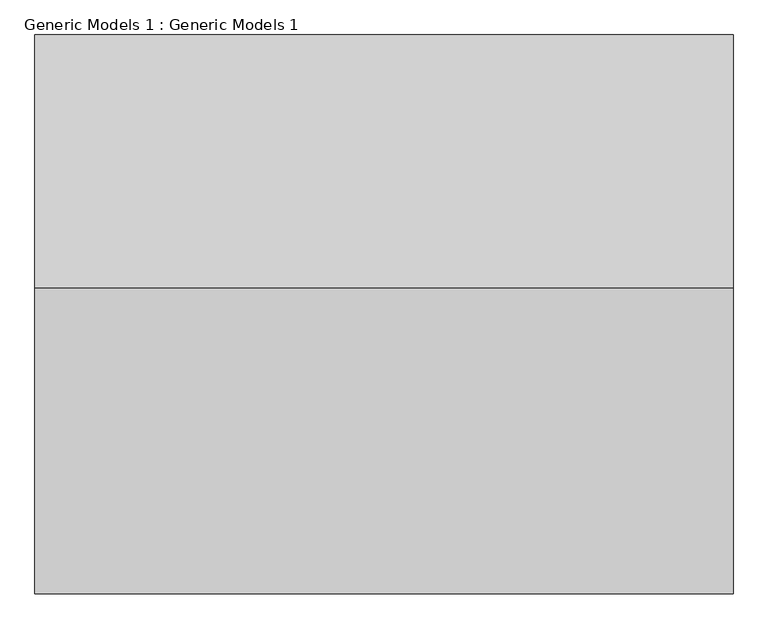
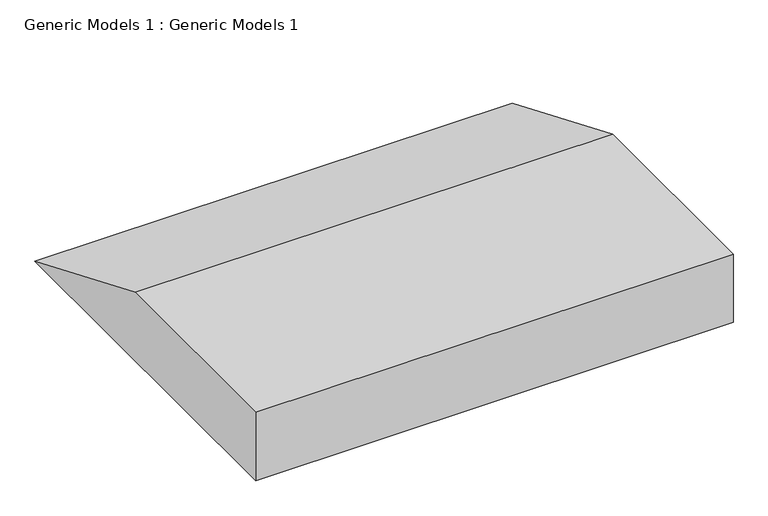
"""IFC4 building model written with IfcOpenShell, lengths in millimetres: proxy geometry, Generic Models 1 : Generic Models 1."""

from ifc_helpers import new_model, si_unit, frame, origin, place, context, project, spatial, polyline, outline, extrude, source, transform, mapped, element, save


def generic_models_1_generic_models_1_4e805fdb(model_context):
    return source(origin(), model_context, "Body", "SweptSolid", [
        extrude(outline(polyline([(-29575.8302609, 30480.0), (-32734.3202609, 30480.0), (-32734.3202609, 31076.9), (-31008.3902609, 31076.9), (-29575.8302609, 30480.0)])), frame((6751.2718692, 0.0, 0.0), z_axis=(1.0, 0.0, 0.0), x_axis=(0.0, 1.0, 0.0)), (0.0, 0.0, 1.0), 3945.7674572),
    ])


if __name__ == "__main__":
    model = new_model("IFC4")
    model_context = context("Model", 3, world=origin())
    ifc_project = project(units=[si_unit("LENGTHUNIT", "METRE", prefix="MILLI")], contexts=[model_context])
    site = spatial("IfcSite", under=ifc_project)
    building = spatial("IfcBuilding", under=site)
    placement = place(None, origin())
    generic_models_1_generic_models_1_shape = generic_models_1_generic_models_1_4e805fdb(model_context)
    element("IfcBuildingElementProxy", 1, Name="Generic Models 1 : Generic Models 1", ObjectType="Generic Models 1 : Generic Models 1", at=placement, inside=building, context=model_context, shape_type="MappedRepresentation", body=[
        mapped(generic_models_1_generic_models_1_shape, transform((0.0, 0.0, 0.0), x_axis=(1.0, 0.0, 0.0), y_axis=(0.0, 1.0, 0.0), z_axis=(0.0, 0.0, 1.0))),
    ])
    save(model, "model.ifc")
